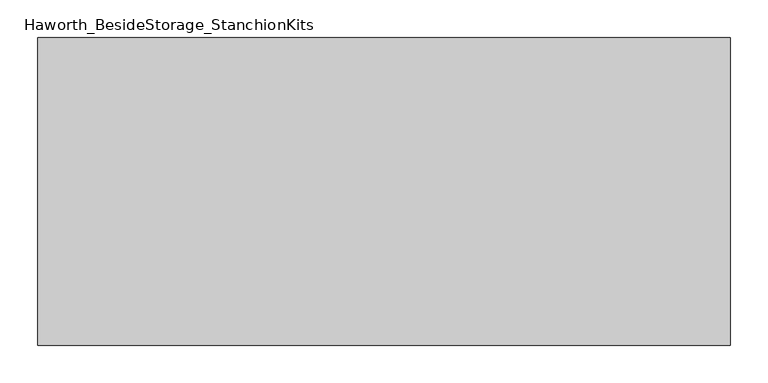
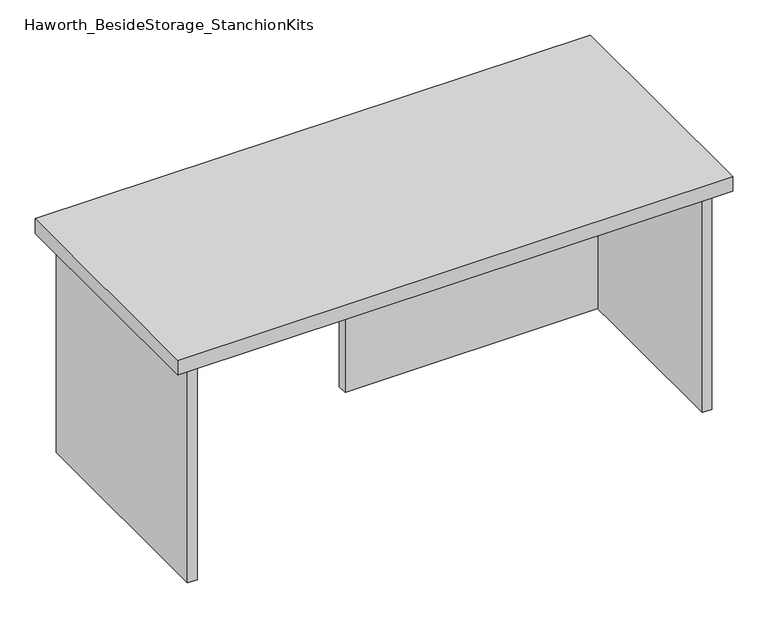
"""IFC4 building model written with IfcOpenShell, lengths in millimetres: furniture geometry, Haworth_BesideStorage_StanchionKits."""

from ifc_helpers import new_model, si_unit, frame, origin, place, context, project, spatial, polyline, outline, extrude, source, transform, mapped, element, save


def haworth_besidestorage_stanchionkits_1a472a45(model_context):
    return source(origin(), model_context, "Body", "SweptSolid", [
        extrude(outline(polyline([(619.125, 0.0), (619.125, -406.4), (-295.275, -406.4), (-295.275, 0.0), (619.125, 0.0)])), frame((0.0, 0.0, 812.8), z_axis=(0.0, 0.0, 1.0), x_axis=(1.0, 0.0, 0.0)), (0.0, 0.0, 1.0), 25.4),
        extrude(outline(polyline([(161.925, -76.2), (577.85, -76.2), (577.85, -92.075), (161.925, -92.075), (161.925, -76.2)])), frame((0.0, 0.0, 431.8), z_axis=(0.0, 0.0, 1.0), x_axis=(1.0, 0.0, 0.0)), (0.0, 0.0, 1.0), 381.0),
        extrude(outline(polyline([(593.725, -390.525), (577.85, -390.525), (577.85, -15.875), (593.725, -15.875), (593.725, -390.525)])), frame((0.0, 0.0, 431.8), z_axis=(0.0, 0.0, 1.0), x_axis=(1.0, 0.0, 0.0)), (0.0, 0.0, 1.0), 381.0),
        extrude(outline(polyline([(-254.0, -390.525), (-269.875, -390.525), (-269.875, -15.875), (-254.0, -15.875), (-254.0, -390.525)])), frame((0.0, 0.0, 431.8), z_axis=(0.0, 0.0, 1.0), x_axis=(1.0, 0.0, 0.0)), (0.0, 0.0, 1.0), 381.0),
    ])


if __name__ == "__main__":
    model = new_model("IFC4")
    model_context = context("Model", 3, world=origin())
    ifc_project = project(units=[si_unit("LENGTHUNIT", "METRE", prefix="MILLI")], contexts=[model_context])
    site = spatial("IfcSite", under=ifc_project)
    building = spatial("IfcBuilding", under=site)
    placement = place(None, origin())
    haworth_besidestorage_stanchionkits_shape = haworth_besidestorage_stanchionkits_1a472a45(model_context)
    element("IfcFurniture", 1, ObjectType="Haworth_BesideStorage_StanchionKits", at=placement, inside=building, context=model_context, shape_type="MappedRepresentation", body=[
        mapped(haworth_besidestorage_stanchionkits_shape, transform((0.0, 0.0, 0.0), x_axis=(1.0, 0.0, 0.0), y_axis=(0.0, 1.0, 0.0), z_axis=(0.0, 0.0, 1.0))),
    ])
    save(model, "model.ifc")
